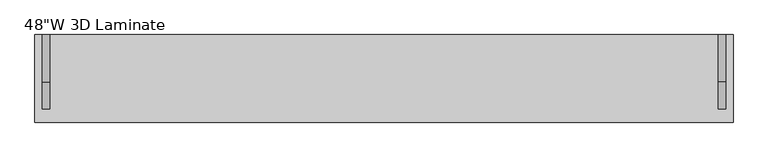
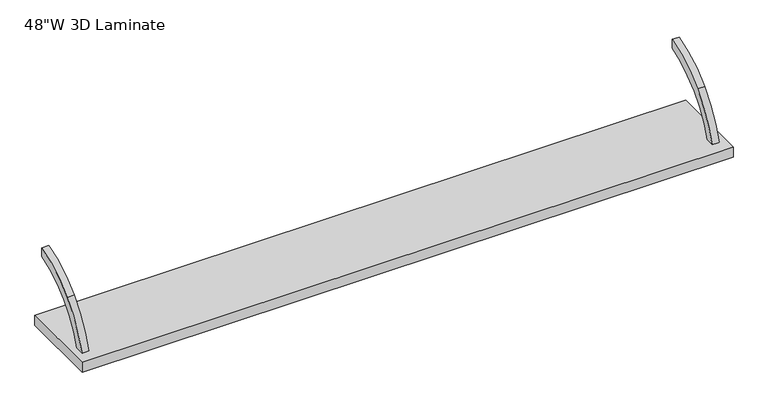
"""IFC4 building model written with IfcOpenShell, lengths in millimetres: furniture geometry."""

from ifc_helpers import new_model, si_unit, point, frame, frame_2d, origin, place, context, project, spatial, polyline, circle_curve, trimmed, segment, composite_curve, outline, extrude, source, transform, mapped, element, save


def furniture_d2e71f05(model_context):
    return source(origin(), model_context, "Body", "SweptSolid", [
        extrude(outline(composite_curve([segment(polyline([(-21.75256, 807.7763619), (-21.75256, 791.1905334)]), True, "CONTINUOUS"), segment(trimmed(circle_curve(frame_2d((31.2350706, 621.9157038)), 177.3743412), [point((-21.75256, 791.1905334))], [point((-91.5649658, 749.907141))], True, "CARTESIAN"), True, "CONTINUOUS"), segment(trimmed(circle_curve(frame_2d((14.1297346, 639.744172)), 152.6671197), [point((-91.5649658, 749.907141))], [point((-132.8646554, 680.974))], True, "CARTESIAN"), True, "CONTINUOUS"), segment(polyline([(-132.8646554, 680.974), (-149.4341867, 680.974)]), True, "CONTINUOUS"), segment(trimmed(circle_curve(frame_2d((41.312225, 624.162867)), 199.0268786), [point((-149.4341867, 680.974))], [point((-102.9422911, 761.2844663))], False, "CARTESIAN"), True, "CONTINUOUS"), segment(trimmed(circle_curve(frame_2d((15.3556483, 648.8359754)), 163.2147835), [point((-102.9422911, 761.2844663))], [point((-21.75256, 807.7763619))], False, "CARTESIAN"), True, "CONTINUOUS")], self_intersect=False)), frame((590.2663384, 0.0, 0.0), z_axis=(1.0, 0.0, 0.0), x_axis=(0.0, 1.0, 0.0)), (0.0, 0.0, 1.0), 12.7),
        extrude(outline(composite_curve([segment(trimmed(circle_curve(frame_2d((15.3556483, 648.8359754)), 163.2147835), [point((-102.9422911, 761.2844663))], [point((-21.75256, 807.7763619))], False, "CARTESIAN"), True, "CONTINUOUS"), segment(polyline([(-21.75256, 807.7763619), (-21.75256, 791.1905334)]), True, "CONTINUOUS"), segment(trimmed(circle_curve(frame_2d((31.2350706, 621.9157038)), 177.3743412), [point((-21.75256, 791.1905334))], [point((-91.5649658, 749.907141))], True, "CARTESIAN"), True, "CONTINUOUS"), segment(trimmed(circle_curve(frame_2d((14.1297346, 639.744172)), 152.6671197), [point((-91.5649658, 749.907141))], [point((-132.8646554, 680.974))], True, "CARTESIAN"), True, "CONTINUOUS"), segment(polyline([(-132.8646554, 680.974), (-149.4341867, 680.974)]), True, "CONTINUOUS"), segment(trimmed(circle_curve(frame_2d((41.312225, 624.162867)), 199.0268786), [point((-149.4341867, 680.974))], [point((-102.9422911, 761.2844663))], False, "CARTESIAN"), True, "CONTINUOUS")], self_intersect=False)), frame((-565.4909286, 0.0, 0.0), z_axis=(1.0, 0.0, 0.0), x_axis=(0.0, 1.0, 0.0)), (0.0, 0.0, 1.0), 12.7),
        extrude(outline(polyline([(615.6377049, -21.75256), (615.6377049, -171.5728725), (-578.1622951, -171.5728725), (-578.1622951, -21.75256), (615.6377049, -21.75256)])), frame((0.0, 0.0, 661.9247994), z_axis=(0.0, 0.0, 1.0), x_axis=(1.0, 0.0, 0.0)), (0.0, 0.0, 1.0), 19.0492006),
    ])


if __name__ == "__main__":
    model = new_model("IFC4")
    model_context = context("Model", 3, world=origin())
    ifc_project = project(units=[si_unit("LENGTHUNIT", "METRE", prefix="MILLI")], contexts=[model_context])
    site = spatial("IfcSite", under=ifc_project)
    building = spatial("IfcBuilding", under=site)
    placement = place(None, origin())
    furniture_shape = furniture_d2e71f05(model_context)
    element("IfcFurniture", 1, ObjectType="48\"W 3D Laminate", at=placement, inside=building, context=model_context, shape_type="MappedRepresentation", body=[
        mapped(furniture_shape, transform((0.0, 0.0, 0.0), x_axis=(1.0, 0.0, 0.0), y_axis=(0.0, 1.0, 0.0), z_axis=(0.0, 0.0, 1.0))),
    ])
    save(model, "model.ifc")
